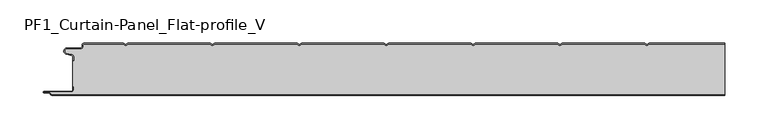
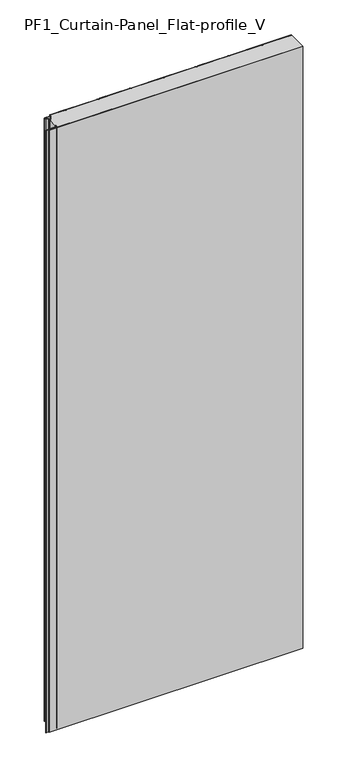
"""IFC4 building model written with IfcOpenShell, lengths in millimetres: plate geometry, PF1_Curtain-Panel_Flat-profile_V."""

from ifc_helpers import new_model, si_unit, point, frame_2d, origin, origin_with_axes, place, context, project, spatial, polyline, circle_curve, trimmed, segment, composite_curve, outline, extrude, source, transform, mapped, element, save


def pf1_curtain_panel_flat_profile_v_d65c9c94(model_context):
    return source(origin(), model_context, "Body", "SweptSolid", [
        extrude(outline(composite_curve([segment(trimmed(circle_curve(frame_2d((-377.0119739, -15.878557)), 2.0), [point((-375.0119739, -15.878557))], [point((-376.5620718, -13.9298169))], True, "CARTESIAN"), True, "CONTINUOUS"), segment(polyline([(-376.5620718, -13.9298169), (-382.7217978, -12.507732)]), True, "CONTINUOUS"), segment(trimmed(circle_curve(frame_2d((-381.9119739, -9.0)), 3.6), [point((-382.7217978, -12.507732))], [point((-381.9119739, -5.4))], False, "CARTESIAN"), True, "CONTINUOUS"), segment(polyline([(-381.9119739, -5.4), (-366.4119739, -5.4)]), True, "CONTINUOUS"), segment(trimmed(circle_curve(frame_2d((-366.4119739, -3.4)), 2.0), [point((-366.4119739, -5.4))], [point((-364.4119739, -3.4))], True, "CARTESIAN"), True, "CONTINUOUS"), segment(polyline([(-364.4119739, -3.4), (-364.4119739, -2.0)]), True, "CONTINUOUS"), segment(trimmed(circle_curve(frame_2d((-362.4119739, -2.0)), 2.0), [point((-364.4119739, -2.0))], [point((-362.4119739, 0.0))], False, "CARTESIAN"), True, "CONTINUOUS"), segment(polyline([(-362.4119739, 0.0), (-317.1119734, 0.0), (-314.4119739, -1.5588455), (-311.7119745, 0.0), (-217.1119734, 0.0), (-214.4119739, -1.5588455), (-211.7119745, 0.0), (-117.1119734, 0.0), (-114.4119739, -1.5588455), (-111.7119745, 0.0), (-17.1119734, 0.0), (-14.4119739, -1.5588455), (-11.7119745, 0.0), (82.8880266, 0.0), (85.5880261, -1.5588455), (88.2880255, 0.0), (182.8880266, 0.0), (185.5880261, -1.5588455), (188.2880255, 0.0), (282.8880266, 0.0), (285.5880261, -1.5588455), (288.2880255, 0.0), (375.0119739, 0.0), (375.0119739, -0.8), (288.5023849, -0.8), (285.5880261, -2.482606), (282.6736672, -0.8), (188.5023849, -0.8), (185.5880261, -2.482606), (182.6736672, -0.8), (88.5023849, -0.8), (85.5880261, -2.482606), (82.6736672, -0.8), (-11.4976151, -0.8), (-14.4119739, -2.482606), (-17.3263328, -0.8), (-111.4976151, -0.8), (-114.4119739, -2.482606), (-117.3263328, -0.8), (-211.4976151, -0.8), (-214.4119739, -2.482606), (-217.3263328, -0.8), (-311.4976151, -0.8), (-314.4119739, -2.482606), (-317.3263328, -0.8), (-362.4119739, -0.8)]), True, "CONTINUOUS"), segment(trimmed(circle_curve(frame_2d((-362.4119739, -2.0)), 1.2), [point((-362.4119739, -0.8))], [point((-363.6119739, -2.0))], True, "CARTESIAN"), True, "CONTINUOUS"), segment(polyline([(-363.6119739, -2.0), (-363.6119739, -3.4)]), True, "CONTINUOUS"), segment(trimmed(circle_curve(frame_2d((-366.4119739, -3.4)), 2.8), [point((-363.6119739, -3.4))], [point((-366.4119739, -6.2))], False, "CARTESIAN"), True, "CONTINUOUS"), segment(polyline([(-366.4119739, -6.2), (-381.9119739, -6.2)]), True, "CONTINUOUS"), segment(trimmed(circle_curve(frame_2d((-381.9119739, -9.0)), 2.8), [point((-381.9119739, -6.2))], [point((-382.541837, -11.7282362))], True, "CARTESIAN"), True, "CONTINUOUS"), segment(polyline([(-382.541837, -11.7282362), (-376.3821109, -13.150321)]), True, "CONTINUOUS"), segment(trimmed(circle_curve(frame_2d((-377.0119739, -15.878557)), 2.8), [point((-376.3821109, -13.150321))], [point((-374.2119739, -15.878557))], False, "CARTESIAN"), True, "CONTINUOUS"), segment(polyline([(-374.2119739, -15.878557), (-374.2119739, -20.0), (-375.0119739, -20.0), (-375.0119739, -15.878557)]), True, "CONTINUOUS")], self_intersect=False)), origin_with_axes(), (0.0, 0.0, 1.0), 1945.7507136),
        extrude(outline(composite_curve([segment(polyline([(-374.2119739, -50.0), (-375.0119739, -50.0), (-375.0119739, -20.0), (-374.2119739, -20.0), (-374.2119739, -15.878557)]), True, "CONTINUOUS"), segment(trimmed(circle_curve(frame_2d((-377.0119739, -15.878557)), 2.8), [point((-374.2119739, -15.878557))], [point((-376.3821109, -13.1503208))], True, "CARTESIAN"), True, "CONTINUOUS"), segment(polyline([(-376.3821109, -13.1503208), (-382.5418369, -11.7282362)]), True, "CONTINUOUS"), segment(trimmed(circle_curve(frame_2d((-381.9119739, -9.0)), 2.8), [point((-382.5418369, -11.7282362))], [point((-381.9119739, -6.2))], False, "CARTESIAN"), True, "CONTINUOUS"), segment(polyline([(-381.9119739, -6.2), (-366.4119739, -6.2)]), True, "CONTINUOUS"), segment(trimmed(circle_curve(frame_2d((-366.4119739, -3.4)), 2.8), [point((-366.4119739, -6.2))], [point((-363.6119739, -3.4))], True, "CARTESIAN"), True, "CONTINUOUS"), segment(polyline([(-363.6119739, -3.4), (-363.6119739, -2.0)]), True, "CONTINUOUS"), segment(trimmed(circle_curve(frame_2d((-362.4119739, -2.0)), 1.2), [point((-363.6119739, -2.0))], [point((-362.4119739, -0.8))], False, "CARTESIAN"), True, "CONTINUOUS"), segment(polyline([(-362.4119739, -0.8), (-317.3263328, -0.8), (-314.4119739, -2.482606), (-311.4976151, -0.8), (-217.3263328, -0.8), (-214.4119739, -2.482606), (-211.4976151, -0.8), (-117.3263328, -0.8), (-114.4119739, -2.482606), (-111.4976151, -0.8), (-17.3263328, -0.8), (-14.4119739, -2.482606), (-11.4976151, -0.8), (82.6736672, -0.8), (85.5880261, -2.482606), (88.5023849, -0.8), (182.6736672, -0.8), (185.5880261, -2.482606), (188.5023849, -0.8), (282.6736672, -0.8), (285.5880261, -2.482606), (288.5023849, -0.8), (375.0119739, -0.8), (375.0119739, -59.2), (-399.4119739, -59.2)]), True, "CONTINUOUS"), segment(trimmed(circle_curve(frame_2d((-399.4119739, -58.4)), 0.8), [point((-399.4119739, -59.2))], [point((-400.2119739, -58.4))], False, "CARTESIAN"), True, "CONTINUOUS"), segment(trimmed(circle_curve(frame_2d((-401.9119739, -58.6133333)), 1.7133333), [point((-400.2119739, -58.4))], [point((-401.9119739, -56.9))], True, "CARTESIAN"), True, "CONTINUOUS"), segment(polyline([(-401.9119739, -56.9), (-407.8820051, -56.9)]), True, "CONTINUOUS"), segment(trimmed(circle_curve(frame_2d((-407.8820051, -56.6)), 0.3), [point((-407.8820051, -56.9))], [point((-407.8820051, -56.3))], False, "CARTESIAN"), True, "CONTINUOUS"), segment(polyline([(-407.8820051, -56.3), (-377.0119739, -56.3)]), True, "CONTINUOUS"), segment(trimmed(circle_curve(frame_2d((-377.0119739, -53.5)), 2.8), [point((-377.0119739, -56.3))], [point((-374.2119739, -53.5))], True, "CARTESIAN"), True, "CONTINUOUS"), segment(polyline([(-374.2119739, -53.5), (-374.2119739, -50.0)]), True, "CONTINUOUS")], self_intersect=False)), origin_with_axes(), (0.0, 0.0, 1.0), 1945.7507136),
        extrude(outline(composite_curve([segment(polyline([(-375.0119739, -50.0), (-374.2119739, -50.0), (-374.2119739, -53.5)]), True, "CONTINUOUS"), segment(trimmed(circle_curve(frame_2d((-377.0119739, -53.5)), 2.8), [point((-374.2119739, -53.5))], [point((-377.0119739, -56.3))], False, "CARTESIAN"), True, "CONTINUOUS"), segment(polyline([(-377.0119739, -56.3), (-407.8820051, -56.3)]), True, "CONTINUOUS"), segment(trimmed(circle_curve(frame_2d((-407.8820051, -56.6)), 0.3), [point((-407.8820051, -56.3))], [point((-407.8820051, -56.9))], True, "CARTESIAN"), True, "CONTINUOUS"), segment(polyline([(-407.8820051, -56.9), (-401.9119739, -56.9)]), True, "CONTINUOUS"), segment(trimmed(circle_curve(frame_2d((-401.9119739, -58.6133333)), 1.7133333), [point((-401.9119739, -56.9))], [point((-400.2119739, -58.4))], False, "CARTESIAN"), True, "CONTINUOUS"), segment(trimmed(circle_curve(frame_2d((-399.4119739, -58.4)), 0.8), [point((-400.2119739, -58.4))], [point((-399.4119739, -59.2))], True, "CARTESIAN"), True, "CONTINUOUS"), segment(polyline([(-399.4119739, -59.2), (375.0119739, -59.2), (375.0119739, -60.0), (-399.4119739, -60.0)]), True, "CONTINUOUS"), segment(trimmed(circle_curve(frame_2d((-399.4119739, -58.4)), 1.6), [point((-399.4119739, -60.0))], [point((-401.0119739, -58.4))], False, "CARTESIAN"), True, "CONTINUOUS"), segment(trimmed(circle_curve(frame_2d((-401.9119739, -58.4)), 0.9), [point((-401.0119739, -58.4))], [point((-401.9119739, -57.5))], True, "CARTESIAN"), True, "CONTINUOUS"), segment(polyline([(-401.9119739, -57.5), (-408.0119739, -57.5)]), True, "CONTINUOUS"), segment(trimmed(circle_curve(frame_2d((-408.0119739, -56.5)), 1.0), [point((-408.0119739, -57.5))], [point((-408.0119739, -55.5))], False, "CARTESIAN"), True, "CONTINUOUS"), segment(polyline([(-408.0119739, -55.5), (-377.0119739, -55.5)]), True, "CONTINUOUS"), segment(trimmed(circle_curve(frame_2d((-377.0119739, -53.5)), 2.0), [point((-377.0119739, -55.5))], [point((-375.0119739, -53.5))], True, "CARTESIAN"), True, "CONTINUOUS"), segment(polyline([(-375.0119739, -53.5), (-375.0119739, -50.0)]), True, "CONTINUOUS")], self_intersect=False)), origin_with_axes(), (0.0, 0.0, 1.0), 1945.7507136),
    ])


if __name__ == "__main__":
    model = new_model("IFC4")
    model_context = context("Model", 3, world=origin())
    ifc_project = project(units=[si_unit("LENGTHUNIT", "METRE", prefix="MILLI")], contexts=[model_context])
    site = spatial("IfcSite", under=ifc_project)
    building = spatial("IfcBuilding", under=site)
    placement = place(None, origin())
    pf1_curtain_panel_flat_profile_v_shape = pf1_curtain_panel_flat_profile_v_d65c9c94(model_context)
    element("IfcPlate", 1, ObjectType="PF1_Curtain-Panel_Flat-profile_V", at=placement, inside=building, context=model_context, shape_type="MappedRepresentation", body=[
        mapped(pf1_curtain_panel_flat_profile_v_shape, transform((0.0, 0.0, 0.0), x_axis=(1.0, 0.0, 0.0), y_axis=(0.0, 1.0, 0.0), z_axis=(0.0, 0.0, 1.0))),
    ])
    save(model, "model.ifc")
